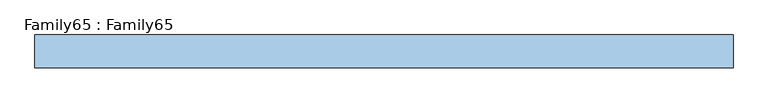
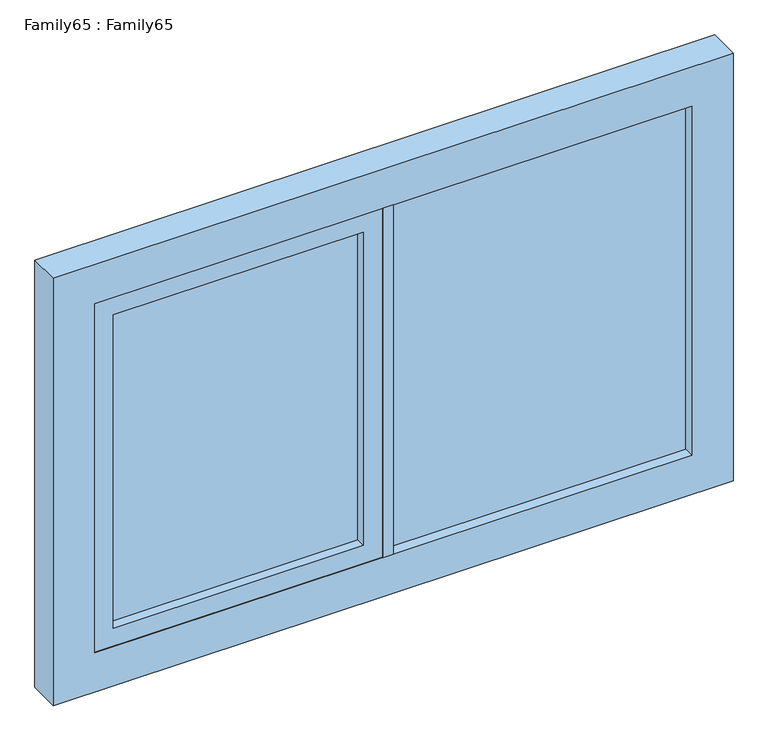
"""IFC4 building model written with IfcOpenShell, lengths in millimetres: window geometry, Family65 : Family65."""

from ifc_helpers import new_model, si_unit, frame, origin, place, context, project, spatial, polyline, outline, extrude, source, transform, mapped, element, save


def family65_family65_3e9c0bb5(model_context):
    return source(origin(), model_context, "Body", "SweptSolid", [
        extrude(outline(polyline([(786.0, -14.0), (0.0, -14.0), (0.0, -10.0), (786.0, -10.0), (786.0, -14.0)])), frame((0.0, 0.0, 909.0), z_axis=(0.0, 0.0, 1.0), x_axis=(1.0, 0.0, 0.0)), (0.0, 0.0, 1.0), 972.0),
        extrude(outline(polyline([(0.0, 10.0), (0.0, 14.0), (786.0, 14.0), (786.0, 10.0), (0.0, 10.0)])), frame((0.0, 0.0, 909.0), z_axis=(0.0, 0.0, 1.0), x_axis=(1.0, 0.0, 0.0)), (0.0, 0.0, 1.0), 972.0),
        extrude(outline(polyline([(-77.4945996, -14.0), (-736.0, -14.0), (-736.0, -10.0), (-77.4945996, -10.0), (-77.4945996, -14.0)])), frame((0.0, 0.0, 959.0), z_axis=(0.0, 0.0, 1.0), x_axis=(1.0, 0.0, 0.0)), (0.0, 0.0, 1.0), 872.0),
        extrude(outline(polyline([(-77.4945996, 10.0), (-736.0, 10.0), (-736.0, 14.0), (-77.4945996, 14.0), (-77.4945996, 10.0)])), frame((0.0, 0.0, 959.0), z_axis=(0.0, 0.0, 1.0), x_axis=(1.0, 0.0, 0.0)), (0.0, 0.0, 1.0), 872.0),
        extrude(outline(polyline([(0.0, 42.0), (0.0, -42.0), (-27.4945996, -42.0), (-27.4945996, 42.0), (0.0, 42.0)])), frame((0.0, 0.0, 909.0), z_axis=(0.0, 0.0, 1.0), x_axis=(1.0, 0.0, 0.0)), (0.0, 0.0, 1.0), 972.0),
        extrude(outline(polyline([(1881.0, -27.4945996), (1881.0, -786.0), (909.0, -786.0), (909.0, -27.4945996), (1881.0, -27.4945996)]), holes=[polyline([(1831.0, -77.4945996), (959.0, -77.4945996), (959.0, -736.0), (1831.0, -736.0), (1831.0, -77.4945996)])]), frame((0.0, -40.0, 0.0), z_axis=(0.0, 1.0, 0.0), x_axis=(0.0, 0.0, 1.0)), (0.0, 0.0, 1.0), 80.0),
        extrude(outline(polyline([(1990.0, 895.0), (1990.0, -895.0), (800.0, -895.0), (800.0, 895.0), (1990.0, 895.0)]), holes=[polyline([(909.0, 786.0), (909.0, -786.0), (1881.0, -786.0), (1881.0, 786.0), (909.0, 786.0)])]), frame((0.0, -42.0, 0.0), z_axis=(0.0, 1.0, 0.0), x_axis=(0.0, 0.0, 1.0)), (0.0, 0.0, 1.0), 84.0),
    ])


if __name__ == "__main__":
    model = new_model("IFC4")
    model_context = context("Model", 3, world=origin())
    ifc_project = project(units=[si_unit("LENGTHUNIT", "METRE", prefix="MILLI")], contexts=[model_context])
    site = spatial("IfcSite", under=ifc_project)
    building = spatial("IfcBuilding", under=site)
    placement = place(None, origin())
    family65_family65_shape = family65_family65_3e9c0bb5(model_context)
    element("IfcWindow", 1, ObjectType="Family65 : Family65", at=placement, inside=building, context=model_context, shape_type="MappedRepresentation", body=[
        mapped(family65_family65_shape, transform((0.0, 0.0, 0.0), x_axis=(1.0, 0.0, 0.0), y_axis=(0.0, 1.0, 0.0), z_axis=(0.0, 0.0, 1.0))),
    ])
    save(model, "model.ifc")
